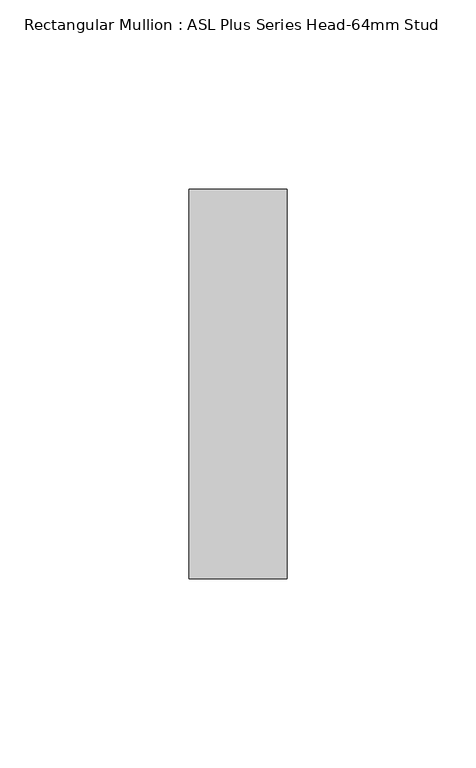
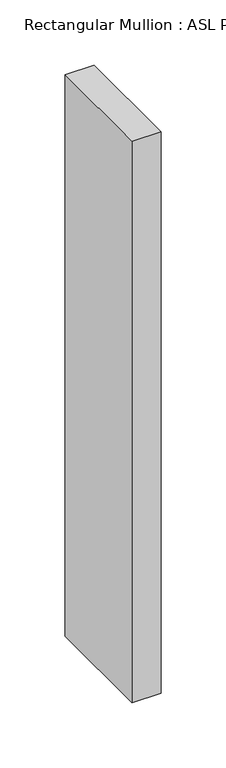
"""IFC4 building model written with IfcOpenShell, lengths in millimetres: member geometry, Rectangular Mullion : ASL Plus Series Head-64mm Stud."""

from ifc_helpers import new_model, si_unit, frame, origin, place, context, project, spatial, polyline, outline, extrude, source, transform, mapped, element, save


def rectangular_mullion_asl_plus_series_head_64mm_stud_5097c65f(model_context):
    return source(origin(), model_context, "Body", "SweptSolid", [
        extrude(outline(polyline([(0.0, 51.5), (0.0, -51.5), (-26.0, -51.5), (-26.0, 51.5), (0.0, 51.5)])), frame((0.0, 0.0, -527.0), z_axis=(0.0, 0.0, 1.0), x_axis=(1.0, 0.0, 0.0)), (0.0, 0.0, 1.0), 527.0),
    ])


if __name__ == "__main__":
    model = new_model("IFC4")
    model_context = context("Model", 3, world=origin())
    ifc_project = project(units=[si_unit("LENGTHUNIT", "METRE", prefix="MILLI")], contexts=[model_context])
    site = spatial("IfcSite", under=ifc_project)
    building = spatial("IfcBuilding", under=site)
    placement = place(None, origin())
    rectangular_mullion_asl_plus_series_head_64mm_stud_shape = rectangular_mullion_asl_plus_series_head_64mm_stud_5097c65f(model_context)
    element("IfcMember", 1, ObjectType="Rectangular Mullion : ASL Plus Series Head-64mm Stud", at=placement, inside=building, context=model_context, shape_type="MappedRepresentation", body=[
        mapped(rectangular_mullion_asl_plus_series_head_64mm_stud_shape, transform((0.0, 0.0, 0.0), x_axis=(1.0, 0.0, 0.0), y_axis=(0.0, 1.0, 0.0), z_axis=(0.0, 0.0, 1.0))),
    ])
    save(model, "model.ifc")
